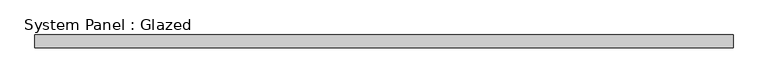
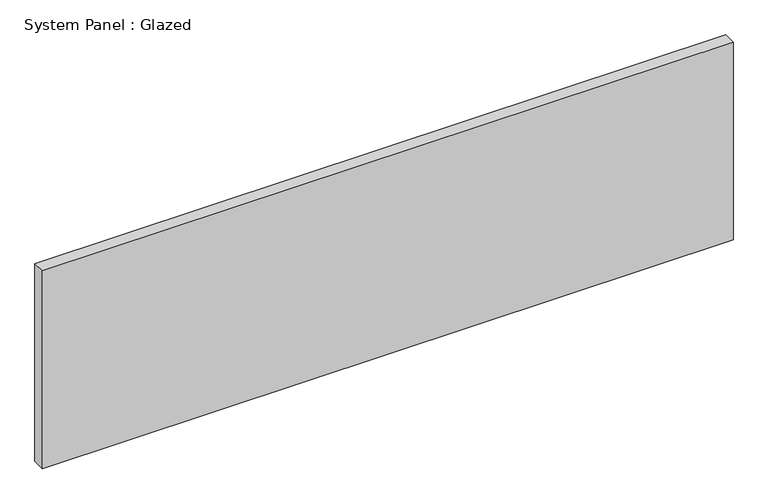
"""IFC4 building model written with IfcOpenShell, lengths in millimetres: plate geometry, System Panel : Glazed."""

from ifc_helpers import new_model, si_unit, origin, origin_with_axes, place, context, project, spatial, polyline, outline, extrude, source, transform, mapped, element, save


def system_panel_glazed_43939fd7(model_context):
    return source(origin(), model_context, "Body", "SweptSolid", [
        extrude(outline(polyline([(677.8571429, -49.5), (-677.8571429, -49.5), (-677.8571429, -24.5), (677.8571429, -24.5), (677.8571429, -49.5)])), origin_with_axes(), (0.0, 0.0, 1.0), 410.0),
    ])


if __name__ == "__main__":
    model = new_model("IFC4")
    model_context = context("Model", 3, world=origin())
    ifc_project = project(units=[si_unit("LENGTHUNIT", "METRE", prefix="MILLI")], contexts=[model_context])
    site = spatial("IfcSite", under=ifc_project)
    building = spatial("IfcBuilding", under=site)
    placement = place(None, origin())
    system_panel_glazed_shape = system_panel_glazed_43939fd7(model_context)
    element("IfcPlate", 1, ObjectType="System Panel : Glazed", at=placement, inside=building, context=model_context, shape_type="MappedRepresentation", body=[
        mapped(system_panel_glazed_shape, transform((0.0, 0.0, 0.0), x_axis=(1.0, 0.0, 0.0), y_axis=(0.0, 1.0, 0.0), z_axis=(0.0, 0.0, 1.0))),
    ])
    save(model, "model.ifc")
